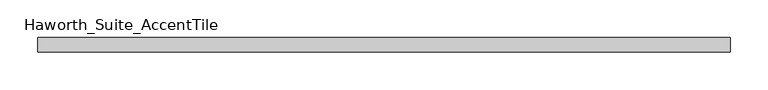
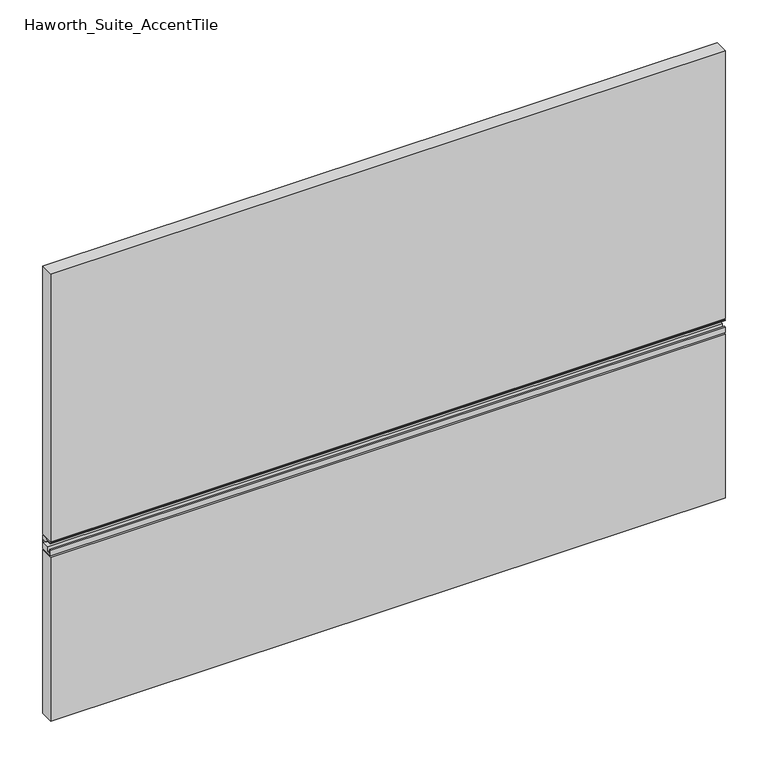
"""IFC4 building model written with IfcOpenShell, lengths in millimetres: furniture geometry, Haworth_Suite_AccentTile."""

from ifc_helpers import new_model, si_unit, frame, origin, place, context, project, spatial, polyline, outline, extrude, source, transform, mapped, element, save


def haworth_suite_accenttile_593e953d(model_context):
    return source(origin(), model_context, "Body", "SweptSolid", [
        extrude(outline(polyline([(-12.7, 846.1373997), (-12.7, 827.0875), (-31.1785, 827.0875), (-31.1785, 835.4875), (-28.9785001, 835.4875), (-28.9785001, 828.9875), (-23.8125, 828.9875), (-23.8125, 835.4875), (-13.3124999, 835.4875), (-13.3124999, 840.60022), (-20.17522, 840.60022), (-23.8125, 844.2375), (-31.1785, 844.2375), (-31.1785, 846.1375), (-12.7, 846.1373997)])), frame((-469.9, 0.0, 0.0), z_axis=(1.0, 0.0, 0.0), x_axis=(0.0, 1.0, 0.0)), (0.0, 0.0, 1.0), 914.4),
        extrude(outline(polyline([(444.5, -12.7), (444.5, -31.75), (-469.9, -31.75), (-469.9, -12.7), (444.5, -12.7)])), frame((0.0, 0.0, 847.725), z_axis=(0.0, 0.0, 1.0), x_axis=(1.0, 0.0, 0.0)), (0.0, 0.0, 1.0), 384.175),
        extrude(outline(polyline([(444.5, -12.7), (444.5, -31.75), (-469.9, -31.75), (-469.9, -12.7), (444.5, -12.7)])), frame((0.0, 0.0, 590.55), z_axis=(0.0, 0.0, 1.0), x_axis=(1.0, 0.0, 0.0)), (0.0, 0.0, 1.0), 234.95),
    ])


if __name__ == "__main__":
    model = new_model("IFC4")
    model_context = context("Model", 3, world=origin())
    ifc_project = project(units=[si_unit("LENGTHUNIT", "METRE", prefix="MILLI")], contexts=[model_context])
    site = spatial("IfcSite", under=ifc_project)
    building = spatial("IfcBuilding", under=site)
    placement = place(None, origin())
    haworth_suite_accenttile_shape = haworth_suite_accenttile_593e953d(model_context)
    element("IfcFurniture", 1, ObjectType="Haworth_Suite_AccentTile", at=placement, inside=building, context=model_context, shape_type="MappedRepresentation", body=[
        mapped(haworth_suite_accenttile_shape, transform((0.0, 0.0, 0.0), x_axis=(1.0, 0.0, 0.0), y_axis=(0.0, 1.0, 0.0), z_axis=(0.0, 0.0, 1.0))),
    ])
    save(model, "model.ifc")
